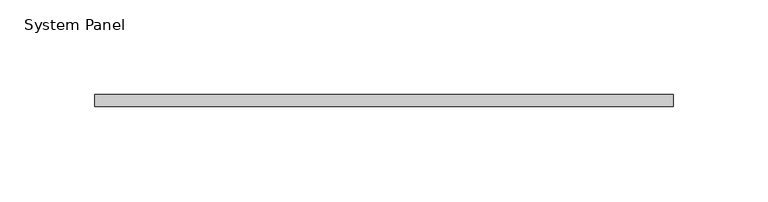
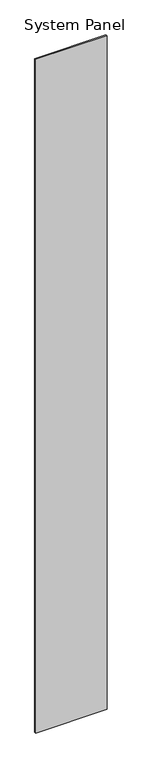
"""IFC4 building model written with IfcOpenShell, lengths in millimetres: plate geometry, System Panel."""

from ifc_helpers import new_model, si_unit, origin, origin_with_axes, place, context, project, spatial, polyline, outline, extrude, source, transform, mapped, element, save


def system_panel_49520bff(model_context):
    return source(origin(), model_context, "Body", "SweptSolid", [
        extrude(outline(polyline([(153.0571532, 0.0), (-153.0571532, 0.0), (-153.0571532, 6.35), (153.0571532, 6.35), (153.0571532, 0.0)])), origin_with_axes(), (0.0, 0.0, 1.0), 3048.0),
    ])


if __name__ == "__main__":
    model = new_model("IFC4")
    model_context = context("Model", 3, world=origin())
    ifc_project = project(units=[si_unit("LENGTHUNIT", "METRE", prefix="MILLI")], contexts=[model_context])
    site = spatial("IfcSite", under=ifc_project)
    building = spatial("IfcBuilding", under=site)
    placement = place(None, origin())
    system_panel_shape = system_panel_49520bff(model_context)
    element("IfcPlate", 1, ObjectType="System Panel", at=placement, inside=building, context=model_context, shape_type="MappedRepresentation", body=[
        mapped(system_panel_shape, transform((0.0, 0.0, 0.0), x_axis=(1.0, 0.0, 0.0), y_axis=(0.0, 1.0, 0.0), z_axis=(0.0, 0.0, 1.0))),
    ])
    save(model, "model.ifc")
